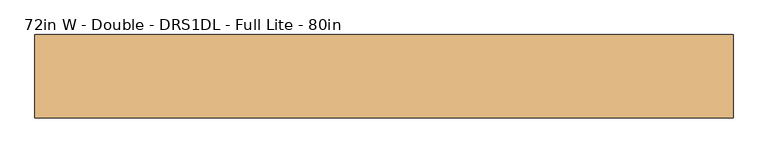
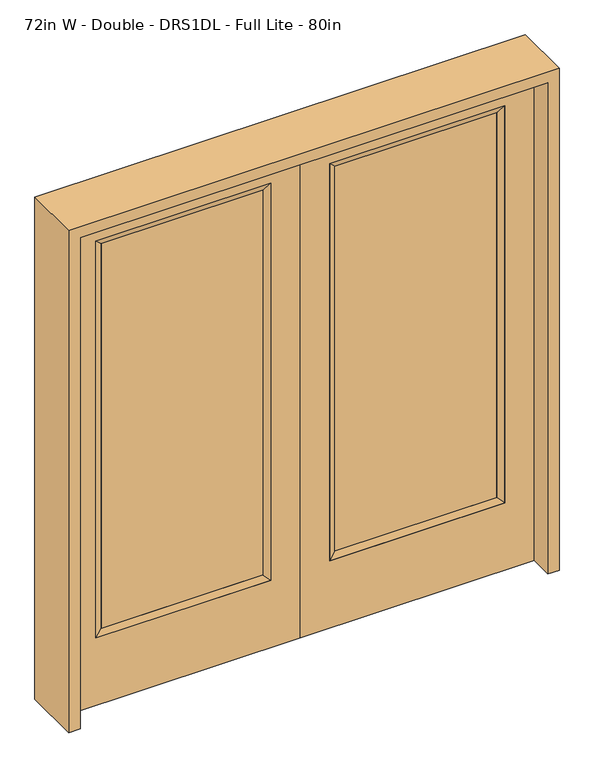
"""IFC4 building model written with IfcOpenShell, lengths in millimetres: door geometry, 72in W - Double - DRS1DL - Full Lite - 80in."""

from ifc_helpers import new_model, si_unit, frame, origin, place, context, project, spatial, polyline, outline, extrude, faceted_brep, source, transform, mapped, element, save


def door_72in_w_double_drs1dl_full_lite_80in_b9440a7b(model_context):
    return source(origin(), model_context, "Body", "SolidModel", [
        extrude(outline(polyline([(140.8176, -12.7039749), (140.8176, 14.2875), (773.5824, 14.2875), (773.5824, -12.7039749), (140.8176, -12.7039749)])), frame((0.0, 0.0, 304.8), z_axis=(0.0, 0.0, 1.0), x_axis=(1.0, 0.0, 0.0)), (0.0, 0.0, 1.0), 1591.1576),
        faceted_brep([(140.8176, 14.2875, 1895.9576), (140.8176, 14.2875, 304.8), (115.4176, 22.225, 279.4), (115.4176, 22.225, 1921.3576), (115.4176, -22.225, 279.4), (115.4176, -22.225, 1921.3576), (773.5824, 14.2875, 304.8), (798.9824, 22.225, 279.4), (140.8176, -12.7039749, 1895.9576), (140.8176, -12.7039749, 304.8), (773.5824, -12.7039749, 304.8), (798.9824, -22.225, 279.4), (773.5824, 14.2875, 1895.9576), (798.9824, 22.225, 1921.3576), (773.5824, -12.7039749, 1895.9576), (798.9824, -22.225, 1921.3576)], [[[0, 1, 2, 3]], [[3, 2, 4, 5]], [[1, 6, 7, 2]], [[8, 9, 1, 0]], [[9, 10, 6, 1]], [[5, 4, 9, 8]], [[4, 11, 10, 9]], [[2, 7, 11, 4]], [[6, 12, 13, 7]], [[10, 14, 12, 6]], [[11, 15, 14, 10]], [[7, 13, 15, 11]], [[12, 0, 3, 13]], [[14, 8, 0, 12]], [[15, 5, 8, 14]], [[13, 3, 5, 15]]]),
        extrude(outline(polyline([(0.0, 914.4), (2032.0, 914.4), (2032.0, 0.0), (0.0, 0.0), (0.0, 914.4)]), holes=[polyline([(279.4, 798.9824), (279.4, 115.4176), (1921.3576, 115.4176), (1921.3576, 798.9824), (279.4, 798.9824)])]), frame((0.0, -22.225, 0.0), z_axis=(0.0, 1.0, 0.0), x_axis=(0.0, 0.0, 1.0)), (0.0, 0.0, 1.0), 44.45),
        extrude(outline(polyline([(-140.8176, -12.7039749), (-773.5824, -12.7039749), (-773.5824, 14.2875), (-140.8176, 14.2875), (-140.8176, -12.7039749)])), frame((0.0, 0.0, 304.8), z_axis=(0.0, 0.0, 1.0), x_axis=(1.0, 0.0, 0.0)), (0.0, 0.0, 1.0), 1591.1576),
        faceted_brep([(-140.8176, 14.2875, 1895.9576), (-115.4176, 22.225, 1921.3576), (-115.4176, 22.225, 279.4), (-140.8176, 14.2875, 304.8), (-115.4176, -22.225, 1921.3576), (-115.4176, -22.225, 279.4), (-798.9824, 22.225, 279.4), (-773.5824, 14.2875, 304.8), (-140.8176, -12.7039749, 1895.9576), (-140.8176, -12.7039749, 304.8), (-773.5824, -12.7039749, 304.8), (-798.9824, -22.225, 279.4), (-798.9824, 22.225, 1921.3576), (-773.5824, 14.2875, 1895.9576), (-773.5824, -12.7039749, 1895.9576), (-798.9824, -22.225, 1921.3576)], [[[0, 1, 2, 3]], [[1, 4, 5, 2]], [[3, 2, 6, 7]], [[8, 0, 3, 9]], [[9, 3, 7, 10]], [[4, 8, 9, 5]], [[5, 9, 10, 11]], [[2, 5, 11, 6]], [[7, 6, 12, 13]], [[10, 7, 13, 14]], [[11, 10, 14, 15]], [[6, 11, 15, 12]], [[13, 12, 1, 0]], [[14, 13, 0, 8]], [[15, 14, 8, 4]], [[12, 15, 4, 1]]]),
        extrude(outline(polyline([(0.0, -914.4), (0.0, 0.0), (2032.0, 0.0), (2032.0, -914.4), (0.0, -914.4)]), holes=[polyline([(279.4, -798.9824), (1921.3576, -798.9824), (1921.3576, -115.4176), (279.4, -115.4176), (279.4, -798.9824)])]), frame((0.0, -22.225, 0.0), z_axis=(0.0, 1.0, 0.0), x_axis=(0.0, 0.0, 1.0)), (0.0, 0.0, 1.0), 44.45),
        extrude(outline(polyline([(0.0, -958.85), (0.0, -914.4), (2032.0, -914.4), (2032.0, 914.4), (0.0, 914.4), (0.0, 958.85), (2076.45, 958.85), (2076.45, -958.85), (0.0, -958.85)])), frame((0.0, -114.3, 0.0), z_axis=(0.0, 1.0, 0.0), x_axis=(0.0, 0.0, 1.0)), (0.0, 0.0, 1.0), 228.6),
    ])


if __name__ == "__main__":
    model = new_model("IFC4")
    model_context = context("Model", 3, world=origin())
    ifc_project = project(units=[si_unit("LENGTHUNIT", "METRE", prefix="MILLI")], contexts=[model_context])
    site = spatial("IfcSite", under=ifc_project)
    building = spatial("IfcBuilding", under=site)
    placement = place(None, origin())
    door_72in_w_double_drs1dl_full_lite_80in_shape = door_72in_w_double_drs1dl_full_lite_80in_b9440a7b(model_context)
    element("IfcDoor", 1, ObjectType="72in W - Double - DRS1DL - Full Lite - 80in", at=placement, inside=building, context=model_context, shape_type="MappedRepresentation", body=[
        mapped(door_72in_w_double_drs1dl_full_lite_80in_shape, transform((0.0, 0.0, 0.0), x_axis=(1.0, 0.0, 0.0), y_axis=(0.0, 1.0, 0.0), z_axis=(0.0, 0.0, 1.0))),
    ])
    save(model, "model.ifc")
